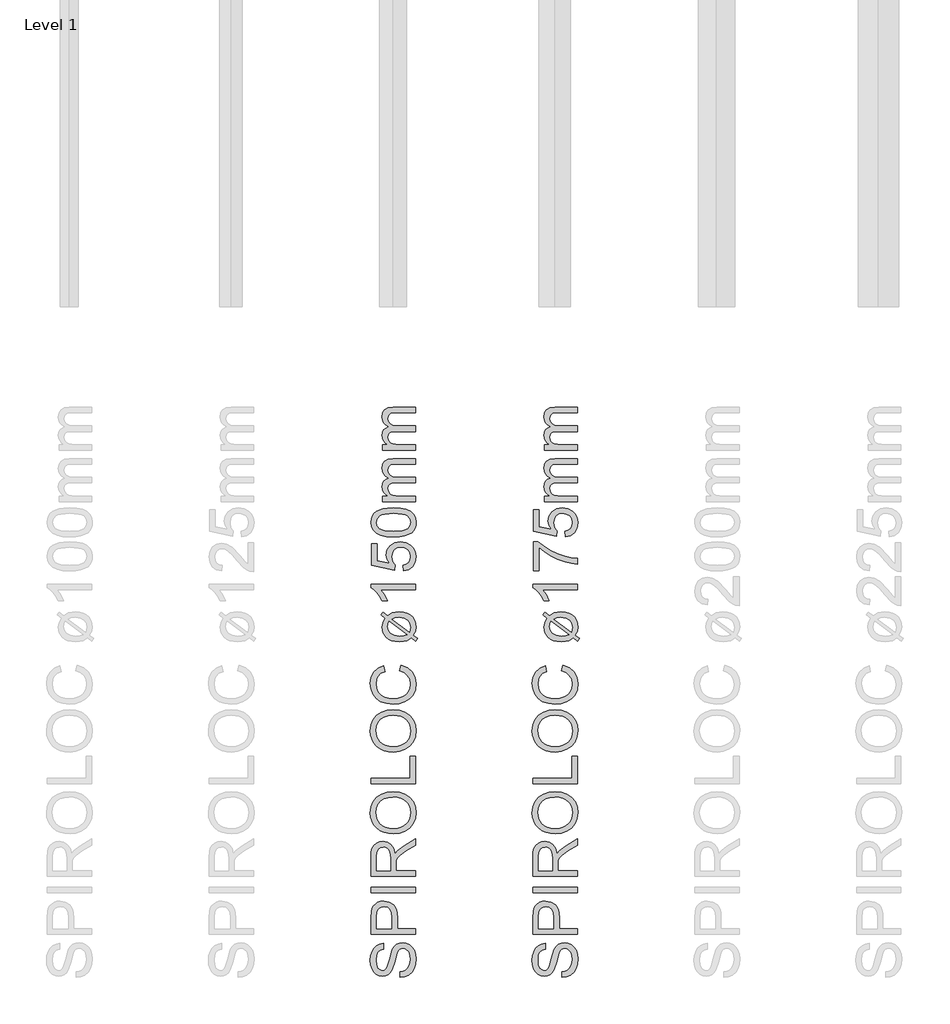
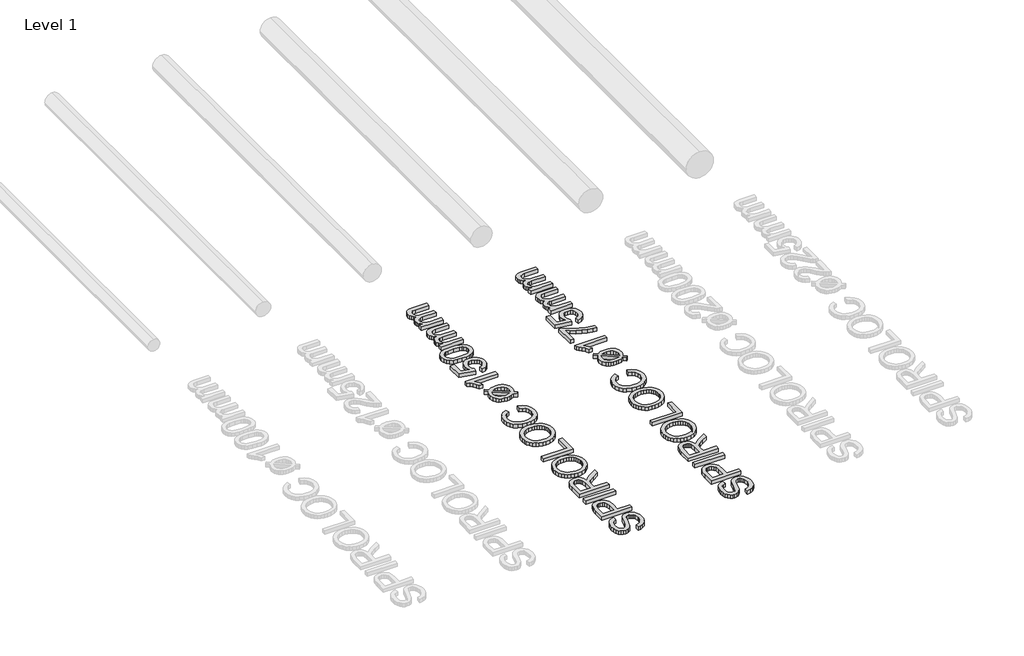
# One storey, part 5 of 19: 2 proxies.
"""IFC4 building model written with IfcOpenShell, lengths in millimetres."""

from ifc_helpers import new_model, si_unit, origin, origin_with_axes, place, context, project, spatial, polyline, outline, extrude, element, save

model = new_model("IFC4")

# Units and contexts
model_context = context("Model", 3, world=origin())
ifc_project = project(units=[si_unit("LENGTHUNIT", "METRE", prefix="MILLI")], contexts=[model_context])

# Site, building, storey
site = spatial("IfcSite", under=ifc_project)
building = spatial("IfcBuilding", under=site)
storey = spatial("IfcBuildingStorey", under=building, Name="Level 1", Elevation=0.0)

# Proxies
placement = place(None, origin())
element("IfcBuildingElementProxy", 1, Name="250mm", ObjectType="250mm", at=placement, inside=storey, context=model_context, shape_type="SweptSolid", body=[
    extrude(outline(polyline([(3320.0351076, -1501.7841772), (3320.0351076, -1471.0149464), (3337.1099273, -1467.4842974), (3350.8343864, -1461.099081), (3361.7268143, -1451.1381435), (3370.3055403, -1436.880331), (3375.8719465, -1419.4524464), (3377.7274153, -1399.9812926), (3372.1084249, -1367.8298502), (3365.4377518, -1355.6678911), (3356.6637133, -1347.0666291), (3346.5900956, -1341.950944), (3336.0206845, -1340.2457156), (3316.8199633, -1345.3538887), (3309.2253119, -1353.1363406), (3302.8476076, -1366.2673502), (3291.0988095, -1411.0690329), (3275.9245307, -1459.2961964), (3265.5729682, -1474.6132036), (3253.027896, -1485.4680714), (3238.559747, -1491.93592), (3222.4389537, -1494.0918695), (3204.4176196, -1491.4251026), (3187.6132326, -1483.4248022), (3173.3704441, -1470.3013046), (3163.0339057, -1452.2649464), (3156.7463456, -1430.615307), (3154.6504922, -1406.6519656), (3156.8440018, -1380.6904272), (3163.4245307, -1357.974081), (3174.2568624, -1339.3142252), (3189.2057807, -1325.5221579), (3207.3397951, -1316.7931916), (3227.7274153, -1313.3226387), (3227.7274153, -1344.0918695), (3209.3680403, -1349.7409079), (3196.1168383, -1361.5197541), (3188.0940018, -1379.9242012), (3185.419723, -1405.4500426), (3188.0639537, -1431.5768454), (3195.996646, -1449.5005233), (3207.6703239, -1459.8671099), (3221.5375114, -1463.3226387), (3233.3614297, -1460.8737204), (3242.871646, -1453.5269656), (3251.3752518, -1436.1591772), (3260.059146, -1403.286581), (3275.5038576, -1348.8394656), (3286.6667182, -1331.2989007), (3300.4437614, -1319.0618214), (3316.684747, -1311.872819), (3335.2394345, -1309.4764849), (3354.2072831, -1312.2333959), (3372.0483287, -1320.5041291), (3387.402896, -1333.9506435), (3398.9113095, -1352.2348983), (3406.1003119, -1374.2225786), (3408.496646, -1398.7793695), (3405.9125114, -1428.9251026), (3398.1601076, -1453.7373022), (3385.2093864, -1473.5014248), (3367.0302999, -1488.5029272), (3344.8848672, -1498.1333358), (3320.0351076, -1501.7841772)])), origin_with_axes(), (0.0, 0.0, 1.0), 30.0),
    extrude(outline(polyline([(3404.6504922, -1263.3226387), (3158.496646, -1263.3226387), (3158.496646, -1172.0966772), (3160.840396, -1135.317831), (3165.2199033, -1118.919093), (3172.3488095, -1105.4199945), (3182.5501316, -1094.5501026), (3196.1468864, -1086.0389849), (3212.1850475, -1080.5401868), (3229.7105883, -1078.7072541), (3258.7220066, -1083.6576748), (3282.8956845, -1098.5089368), (3292.4134129, -1110.4023412), (3299.2117903, -1126.2808719), (3303.2908167, -1146.1445287), (3304.6504922, -1169.9933118), (3304.6504922, -1232.5534079), (3404.6504922, -1232.5534079), (3404.6504922, -1263.3226387)]), holes=[polyline([(3273.8812614, -1232.5534079), (3273.8812614, -1168.1904272), (3271.0567422, -1140.9067733), (3262.5831845, -1122.8779272), (3248.9864297, -1112.8268454), (3230.7923191, -1109.4764849), (3216.9702037, -1111.4521459), (3205.3115499, -1117.3791291), (3196.5375114, -1126.5212565), (3191.3692422, -1138.1423502), (3189.2658768, -1168.911581), (3189.2658768, -1232.5534079), (3273.8812614, -1232.5534079)])]), origin_with_axes(), (0.0, 0.0, 1.0), 30.0),
    extrude(outline(polyline([(3404.6504922, -1032.5534079), (3158.496646, -1032.5534079), (3158.496646, -1001.7841772), (3404.6504922, -1001.7841772), (3404.6504922, -1032.5534079)])), origin_with_axes(), (0.0, 0.0, 1.0), 30.0),
    extrude(outline(polyline([(3404.6504922, -940.2457156), (3158.496646, -940.2457156), (3158.496646, -834.1760041), (3160.1568023, -805.6678911), (3165.137271, -784.927206), (3174.3319826, -769.7679512), (3188.6348672, -758.0041291), (3206.3707446, -750.4545498), (3225.8644345, -747.9380233), (3250.1132326, -752.107194), (3270.215396, -764.614706), (3284.9539778, -785.8361603), (3293.1120307, -816.1471579), (3306.2730883, -798.6591772), (3337.9437614, -773.7192733), (3404.6504922, -732.6736002), (3404.6504922, -768.4308118), (3353.6288576, -800.4620618), (3319.8548191, -823.599081), (3303.8992903, -839.8550906), (3298.0399153, -854.4885041), (3296.9581845, -872.3370618), (3296.9581845, -909.4764849), (3404.6504922, -909.4764849), (3404.6504922, -940.2457156)]), holes=[polyline([(3266.1889537, -909.4764849), (3266.1889537, -840.6062926), (3261.8319826, -805.4800906), (3256.1679201, -793.9266051), (3247.8896749, -785.5281676), (3237.8761533, -780.4124825), (3227.0062614, -778.7072541), (3211.997247, -781.9599584), (3199.902896, -791.7180714), (3191.9251316, -808.5074344), (3189.2658768, -832.8538887), (3189.2658768, -909.4764849), (3266.1889537, -909.4764849)])]), origin_with_axes(), (0.0, 0.0, 1.0), 30.0),
    extrude(outline(polyline([(3284.8187614, -705.630331), (3255.9463155, -703.5795498), (3230.3866701, -697.427206), (3208.1398251, -687.1732998), (3189.2057807, -672.817831), (3174.087842, -655.220926), (3163.2893143, -635.2427108), (3156.8101977, -612.8831856), (3154.6504922, -588.1423502), (3158.7069826, -555.8556916), (3170.8764537, -526.9043695), (3190.3025355, -502.8659079), (3216.1288576, -485.317831), (3247.1084249, -474.5906676), (3281.9942422, -471.0149464), (3317.3458047, -474.778468), (3348.7610691, -486.0690329), (3374.6324633, -504.2631435), (3393.3524153, -528.7373022), (3404.7105883, -557.4407276), (3408.496646, -588.3226387), (3404.3124513, -621.1050906), (3391.7598672, -650.2216772), (3371.9732085, -674.2000426), (3346.0867903, -691.567831), (3316.301634, -702.114706), (3284.8187614, -705.630331)]), holes=[polyline([(3285.1192422, -674.8611002), (3305.5181304, -673.3230143), (3323.6258528, -668.7087565), (3339.4424093, -661.0183268), (3352.9677999, -650.2517252), (3363.8001316, -637.1639097), (3371.5375114, -622.5098382), (3376.1799393, -606.2895107), (3377.7274153, -588.5029272), (3376.1649153, -570.4121069), (3371.4774153, -554.0002228), (3363.6649153, -539.2672751), (3352.7274153, -526.2132637), (3338.9165679, -515.5255383), (3322.4840258, -507.8914488), (3303.4297891, -503.3109951), (3281.7538576, -501.7841772), (3254.5152758, -504.3983599), (3230.9726076, -512.2409079), (3211.7193023, -525.1089969), (3197.3488095, -542.7998022), (3188.4019946, -564.1414488), (3185.419723, -587.9620618), (3191.1664177, -621.0600185), (3208.4065018, -649.2000426), (3221.8210902, -660.4267553), (3239.0780763, -668.4458358), (3260.1774603, -673.2572841), (3285.1192422, -674.8611002)])]), origin_with_axes(), (0.0, 0.0, 1.0), 30.0),
    extrude(outline(polyline([(3404.6504922, -428.7072541), (3158.496646, -428.7072541), (3158.496646, -397.9380233), (3373.8812614, -397.9380233), (3373.8812614, -274.8611002), (3404.6504922, -274.8611002), (3404.6504922, -428.7072541)])), origin_with_axes(), (0.0, 0.0, 1.0), 30.0),
    extrude(outline(polyline([(3284.8187614, -251.7841772), (3255.9463155, -249.7333959), (3230.3866701, -243.5810522), (3208.1398251, -233.3271459), (3189.2057807, -218.9716772), (3174.087842, -201.3747721), (3163.2893143, -181.396557), (3156.8101977, -159.0370317), (3154.6504922, -134.2961964), (3158.7069826, -102.0095377), (3170.8764537, -73.0582156), (3190.3025355, -49.0197541), (3216.1288576, -31.4716772), (3247.1084249, -20.7445137), (3281.9942422, -17.1687926), (3317.3458047, -20.9323142), (3348.7610691, -32.2228791), (3374.6324633, -50.4169897), (3393.3524153, -74.8911483), (3404.7105883, -103.5945738), (3408.496646, -134.4764849), (3404.3124513, -167.2589368), (3391.7598672, -196.3755233), (3371.9732085, -220.3538887), (3346.0867903, -237.7216772), (3316.301634, -248.2685522), (3284.8187614, -251.7841772)]), holes=[polyline([(3285.1192422, -221.0149464), (3305.5181304, -219.4768605), (3323.6258528, -214.8626026), (3339.4424093, -207.172173), (3352.9677999, -196.4055714), (3363.8001316, -183.3177559), (3371.5375114, -168.6636844), (3376.1799393, -152.4433569), (3377.7274153, -134.6567733), (3376.1649153, -116.565953), (3371.4774153, -100.154069), (3363.6649153, -85.4211213), (3352.7274153, -72.3671099), (3338.9165679, -61.6793845), (3322.4840258, -54.045295), (3303.4297891, -49.4648412), (3281.7538576, -47.9380233), (3254.5152758, -50.552206), (3230.9726076, -58.3947541), (3211.7193023, -71.262843), (3197.3488095, -88.9536483), (3188.4019946, -110.295295), (3185.419723, -134.1159079), (3191.1664177, -167.2138647), (3208.4065018, -195.3538887), (3221.8210902, -206.5806014), (3239.0780763, -214.599682), (3260.1774603, -219.4111303), (3285.1192422, -221.0149464)])]), origin_with_axes(), (0.0, 0.0, 1.0), 30.0),
    extrude(outline(polyline([(3317.1504922, 198.2158228), (3325.0831845, 228.9850536), (3360.9380523, 214.7873373), (3387.1324633, 192.5066882), (3403.1556004, 163.2398613), (3408.496646, 128.0836113), (3404.4551797, 92.3940079), (3392.3307807, 64.0511594), (3372.544122, 42.3263998), (3345.5158768, 26.4910632), (3313.7400355, 16.8230945), (3279.7105883, 13.6004382), (3243.8181605, 17.2437675), (3212.8235691, 28.1737555), (3187.7108888, 45.8194887), (3169.4641941, 69.6100536), (3158.3539177, 97.8251978), (3154.6504922, 128.744669), (3159.4431605, 162.4811474), (3173.8211653, 190.3732748), (3196.8980883, 211.549657), (3227.7875114, 225.1388998), (3235.1192422, 194.369669), (3212.6808408, 183.7026017), (3197.2887133, 169.1292844), (3188.3869706, 150.4694286), (3185.419723, 127.5427459), (3188.7099874, 101.1154623), (3198.5807807, 79.4057267), (3213.9954441, 62.9318685), (3233.9173191, 52.2122171), (3256.4383528, 46.330306), (3279.6504922, 44.369669), (3308.075973, 46.6908829), (3332.6552999, 53.6545248), (3352.4494706, 65.5235151), (3366.5194826, 82.5607748), (3374.9254321, 102.985955), (3377.7274153, 125.0187074), (3373.9113095, 150.7023012), (3362.4629922, 172.104044), (3343.5026557, 188.2623974), (3317.1504922, 198.2158228)])), origin_with_axes(), (0.0, 0.0, 1.0), 30.0),
    extrude(outline(polyline([(3237.5831845, 490.2831305), (3213.3043383, 508.6725536), (3224.482223, 523.3360151), (3249.902896, 504.0451498), (3276.1649153, 519.5499574), (3315.3476076, 525.1388998), (3338.8902758, 523.3923553), (3359.0976076, 518.1527219), (3375.9696028, 509.4199995), (3389.5062614, 497.1941882), (3403.7490499, 472.2092123), (3408.496646, 442.5667844), (3404.4551797, 417.822193), (3392.3307807, 396.1124574), (3416.1889537, 378.0235151), (3405.2514537, 363.119669), (3382.4750114, 380.4273613), (3359.277896, 366.4249574), (3339.4762133, 361.4219526), (3317.2105883, 359.7542844), (3293.3242452, 361.2717123), (3272.9873311, 365.8239959), (3256.1998462, 373.4111353), (3242.9617903, 384.0331305), (3225.7667783, 410.4303661), (3220.0351076, 441.0643805), (3224.2718864, 466.0042844), (3237.5831845, 490.2831305)]), holes=[polyline([(3259.4581845, 473.6965921), (3252.9677999, 458.3119767), (3250.8043383, 442.2062074), (3254.958485, 421.9988757), (3267.4209249, 405.3672651), (3288.1015138, 394.2344526), (3316.9101076, 390.5235151), (3339.325973, 392.6719526), (3357.7754922, 399.1172651), (3259.4581845, 473.6965921)]), polyline([(3274.8427999, 485.1749574), (3372.6192422, 411.0163036), (3377.7274153, 440.5836113), (3373.6634129, 461.9177459), (3361.4714057, 479.1653421), (3341.1664177, 490.5685873), (3312.763473, 494.369669), (3291.5495307, 492.025919), (3274.8427999, 485.1749574)])]), origin_with_axes(), (0.0, 0.0, 1.0), 30.0),
    extrude(outline(polyline([(3404.6504922, 678.9850536), (3404.6504922, 648.2158228), (3212.8235691, 648.2158228), (3233.5867903, 619.0691882), (3249.121646, 586.6773613), (3220.0351076, 586.6773613), (3206.8890739, 610.8435272), (3191.2490499, 631.7795248), (3174.6174393, 648.283431), (3158.496646, 659.1533228), (3158.496646, 678.9850536), (3404.6504922, 678.9850536)])), origin_with_axes(), (0.0, 0.0, 1.0), 30.0),
    extrude(outline(polyline([(3339.2658768, 752.0619767), (3335.419723, 782.8312074), (3353.8917783, 788.4802459), (3367.1204441, 798.3360151), (3375.0756725, 812.353443), (3377.7274153, 830.4874574), (3374.0390138, 852.5427459), (3362.9738095, 869.0691882), (3345.8088456, 879.3907026), (3323.8211653, 882.8312074), (3303.1180403, 879.6085512), (3287.2827037, 869.9405824), (3277.231622, 853.752181), (3273.8812614, 830.9682267), (3279.2298191, 803.9550055), (3293.1120307, 786.6773613), (3289.2658768, 755.9081305), (3162.3427999, 782.8312074), (3162.3427999, 902.0619767), (3193.1120307, 902.0619767), (3193.1120307, 807.7110151), (3260.9004922, 794.5499574), (3247.559146, 816.5301257), (3243.1120307, 839.5619767), (3248.6258528, 868.3104743), (3265.1673191, 892.1761594), (3290.3776557, 908.2443685), (3321.8980883, 913.6004382), (3352.6673191, 908.7777219), (3378.9894345, 894.3095728), (3391.8988395, 881.5241161), (3401.1198432, 866.6052459), (3406.6524453, 849.5529623), (3408.496646, 830.3672651), (3403.7565619, 800.1464118), (3389.5363095, 776.0703901), (3367.4885331, 759.5664839), (3339.2658768, 752.0619767)])), origin_with_axes(), (0.0, 0.0, 1.0), 30.0),
    extrude(outline(polyline([(3283.5567422, 940.5235151), (3244.1562013, 942.7846329), (3212.7334249, 949.5679863), (3188.8076436, 960.8059671), (3171.8980883, 976.4309671), (3161.8470066, 996.5556666), (3158.496646, 1021.2927459), (3160.4798191, 1040.2530824), (3166.4293383, 1057.2302459), (3176.1123311, 1071.4279623), (3189.2959249, 1082.0499574), (3225.7141941, 1096.4730344), (3250.9170186, 1100.6647411), (3283.5567422, 1102.0619767), (3322.7319225, 1099.8233949), (3354.0795787, 1093.1076498), (3378.027896, 1081.9372772), (3395.0050595, 1066.3348132), (3405.1237494, 1046.1650416), (3408.496646, 1021.2927459), (3407.0318023, 1004.3456305), (3402.637271, 989.3215921), (3395.3130523, 976.2206305), (3385.059146, 965.0427459), (3366.5232386, 954.3155824), (3343.4275355, 946.6533228), (3315.7720367, 942.0559671), (3283.5567422, 940.5235151)]), holes=[polyline([(3283.496646, 971.2927459), (3331.8965859, 974.8985151), (3348.4511983, 979.4057267), (3359.9089057, 985.7158228), (3373.2727879, 1001.8215921), (3377.7274153, 1021.2927459), (3373.2577638, 1040.7638998), (3359.8488095, 1056.869669), (3348.3723221, 1063.1797651), (3331.8214658, 1067.6869767), (3283.496646, 1071.2927459), (3236.1859489, 1067.807169), (3219.6857987, 1063.4501978), (3207.9557807, 1057.3504382), (3193.9383528, 1041.2747171), (3189.2658768, 1020.932169), (3193.3824633, 1001.6713517), (3205.732223, 986.1965921), (3218.5026557, 979.6761594), (3235.7202037, 975.0187074), (3283.496646, 971.2927459)])]), origin_with_axes(), (0.0, 0.0, 1.0), 30.0),
    extrude(outline(polyline([(3404.6504922, 1136.6773613), (3223.8812614, 1136.6773613), (3223.8812614, 1167.4465921), (3253.6288576, 1167.4465921), (3239.9644946, 1176.7013998), (3229.2598672, 1188.6004382), (3222.3412975, 1202.7380584), (3220.0351076, 1218.7086113), (3222.3863696, 1235.8209911), (3229.4401557, 1249.5379382), (3240.7307206, 1259.7843324), (3255.7923191, 1266.4850536), (3240.1485391, 1277.7004983), (3228.9744105, 1290.4934671), (3222.2699333, 1304.8639599), (3220.0351076, 1320.8119767), (3223.7535571, 1343.9414839), (3234.9089057, 1361.0463517), (3253.801634, 1371.6157627), (3280.732223, 1375.1388998), (3404.6504922, 1375.1388998), (3404.6504922, 1344.369669), (3293.9533768, 1344.369669), (3268.262271, 1341.5151017), (3255.6120307, 1331.1785632), (3250.8043383, 1313.6004382), (3253.8842662, 1296.9312675), (3263.1240499, 1283.3420248), (3279.1546989, 1274.3050656), (3302.607223, 1271.2927459), (3404.6504922, 1271.2927459), (3404.6504922, 1240.5235151), (3290.527896, 1240.5235151), (3273.1300595, 1238.7431666), (3260.7202037, 1233.4021209), (3253.2833047, 1224.0045849), (3250.8043383, 1210.0547651), (3252.4569826, 1198.2007988), (3257.4149153, 1187.2783228), (3265.5579441, 1178.2638998), (3276.7658768, 1172.1340921), (3313.4846268, 1167.4465921), (3404.6504922, 1167.4465921), (3404.6504922, 1136.6773613)])), origin_with_axes(), (0.0, 0.0, 1.0), 30.0),
    extrude(outline(polyline([(3404.6504922, 1421.2927459), (3223.8812614, 1421.2927459), (3223.8812614, 1452.0619767), (3253.6288576, 1452.0619767), (3239.9644946, 1461.3167844), (3229.2598672, 1473.2158228), (3222.3412975, 1487.353443), (3220.0351076, 1503.3239959), (3222.3863696, 1520.4363757), (3229.4401557, 1534.1533228), (3240.7307206, 1544.3997171), (3255.7923191, 1551.1004382), (3240.1485391, 1562.3158829), (3228.9744105, 1575.1088517), (3222.2699333, 1589.4793445), (3220.0351076, 1605.4273613), (3223.7535571, 1628.5568685), (3234.9089057, 1645.6617363), (3253.801634, 1656.2311474), (3280.732223, 1659.7542844), (3404.6504922, 1659.7542844), (3404.6504922, 1628.9850536), (3293.9533768, 1628.9850536), (3268.262271, 1626.1304863), (3255.6120307, 1615.7939478), (3250.8043383, 1598.2158228), (3253.8842662, 1581.5466522), (3263.1240499, 1567.9574094), (3279.1546989, 1558.9204502), (3302.607223, 1555.9081305), (3404.6504922, 1555.9081305), (3404.6504922, 1525.1388998), (3290.527896, 1525.1388998), (3273.1300595, 1523.3585512), (3260.7202037, 1518.0175055), (3253.2833047, 1508.6199695), (3250.8043383, 1494.6701498), (3252.4569826, 1482.8161834), (3257.4149153, 1471.8937074), (3265.5579441, 1462.8792844), (3276.7658768, 1456.7494767), (3313.4846268, 1452.0619767), (3404.6504922, 1452.0619767), (3404.6504922, 1421.2927459)])), origin_with_axes(), (0.0, 0.0, 1.0), 30.0),
])
element("IfcBuildingElementProxy", 2, Name="250mm", ObjectType="250mm", at=placement, inside=storey, context=model_context, shape_type="SweptSolid", body=[
    extrude(outline(polyline([(4218.1120307, -1501.7841772), (4218.1120307, -1471.0149464), (4235.1868504, -1467.4842974), (4248.9113095, -1461.099081), (4259.8037374, -1451.1381435), (4268.3824633, -1436.880331), (4273.9488696, -1419.4524464), (4275.8043383, -1399.9812926), (4270.185348, -1367.8298502), (4263.5146749, -1355.6678911), (4254.7406364, -1347.0666291), (4244.6670186, -1341.950944), (4234.0976076, -1340.2457156), (4214.8968864, -1345.3538887), (4207.302235, -1353.1363406), (4200.9245307, -1366.2673502), (4189.1757326, -1411.0690329), (4174.0014537, -1459.2961964), (4163.6498912, -1474.6132036), (4151.1048191, -1485.4680714), (4136.6366701, -1491.93592), (4120.5158768, -1494.0918695), (4102.4945427, -1491.4251026), (4085.6901557, -1483.4248022), (4071.4473672, -1470.3013046), (4061.1108287, -1452.2649464), (4054.8232686, -1430.615307), (4052.7274153, -1406.6519656), (4054.9209249, -1380.6904272), (4061.5014537, -1357.974081), (4072.3337855, -1339.3142252), (4087.2827037, -1325.5221579), (4105.4167182, -1316.7931916), (4125.8043383, -1313.3226387), (4125.8043383, -1344.0918695), (4107.4449633, -1349.7409079), (4094.1937614, -1361.5197541), (4086.1709249, -1379.9242012), (4083.496646, -1405.4500426), (4086.1408768, -1431.5768454), (4094.0735691, -1449.5005233), (4105.747247, -1459.8671099), (4119.6144345, -1463.3226387), (4131.4383528, -1460.8737204), (4140.9485691, -1453.5269656), (4149.4521749, -1436.1591772), (4158.1360691, -1403.286581), (4173.5807807, -1348.8394656), (4184.7436412, -1331.2989007), (4198.5206845, -1319.0618214), (4214.7616701, -1311.872819), (4233.3163576, -1309.4764849), (4252.2842061, -1312.2333959), (4270.1252518, -1320.5041291), (4285.4798191, -1333.9506435), (4296.9882326, -1352.2348983), (4304.177235, -1374.2225786), (4306.5735691, -1398.7793695), (4303.9894345, -1428.9251026), (4296.2370307, -1453.7373022), (4283.2863095, -1473.5014248), (4265.107223, -1488.5029272), (4242.9617903, -1498.1333358), (4218.1120307, -1501.7841772)])), origin_with_axes(), (0.0, 0.0, 1.0), 30.0),
    extrude(outline(polyline([(4302.7274153, -1263.3226387), (4056.5735691, -1263.3226387), (4056.5735691, -1172.0966772), (4058.9173191, -1135.317831), (4063.2968263, -1118.919093), (4070.4257326, -1105.4199945), (4080.6270547, -1094.5501026), (4094.2238095, -1086.0389849), (4110.2619706, -1080.5401868), (4127.7875114, -1078.7072541), (4156.7989297, -1083.6576748), (4180.9726076, -1098.5089368), (4190.4903359, -1110.4023412), (4197.2887133, -1126.2808719), (4201.3677398, -1146.1445287), (4202.7274153, -1169.9933118), (4202.7274153, -1232.5534079), (4302.7274153, -1232.5534079), (4302.7274153, -1263.3226387)]), holes=[polyline([(4171.9581845, -1232.5534079), (4171.9581845, -1168.1904272), (4169.1336653, -1140.9067733), (4160.6601076, -1122.8779272), (4147.0633528, -1112.8268454), (4128.8692422, -1109.4764849), (4115.0471268, -1111.4521459), (4103.388473, -1117.3791291), (4094.6144345, -1126.5212565), (4089.4461653, -1138.1423502), (4087.3427999, -1168.911581), (4087.3427999, -1232.5534079), (4171.9581845, -1232.5534079)])]), origin_with_axes(), (0.0, 0.0, 1.0), 30.0),
    extrude(outline(polyline([(4302.7274153, -1032.5534079), (4056.5735691, -1032.5534079), (4056.5735691, -1001.7841772), (4302.7274153, -1001.7841772), (4302.7274153, -1032.5534079)])), origin_with_axes(), (0.0, 0.0, 1.0), 30.0),
    extrude(outline(polyline([(4302.7274153, -940.2457156), (4056.5735691, -940.2457156), (4056.5735691, -834.1760041), (4058.2337254, -805.6678911), (4063.2141941, -784.927206), (4072.4089057, -769.7679512), (4086.7117903, -758.0041291), (4104.4476677, -750.4545498), (4123.9413576, -747.9380233), (4148.1901557, -752.107194), (4168.2923191, -764.614706), (4183.0309008, -785.8361603), (4191.1889537, -816.1471579), (4204.3500114, -798.6591772), (4236.0206845, -773.7192733), (4302.7274153, -732.6736002), (4302.7274153, -768.4308118), (4251.7057807, -800.4620618), (4217.9317422, -823.599081), (4201.9762133, -839.8550906), (4196.1168383, -854.4885041), (4195.0351076, -872.3370618), (4195.0351076, -909.4764849), (4302.7274153, -909.4764849), (4302.7274153, -940.2457156)]), holes=[polyline([(4164.2658768, -909.4764849), (4164.2658768, -840.6062926), (4159.9089057, -805.4800906), (4154.2448432, -793.9266051), (4145.966598, -785.5281676), (4135.9530763, -780.4124825), (4125.0831845, -778.7072541), (4110.0741701, -781.9599584), (4097.9798191, -791.7180714), (4090.0020547, -808.5074344), (4087.3427999, -832.8538887), (4087.3427999, -909.4764849), (4164.2658768, -909.4764849)])]), origin_with_axes(), (0.0, 0.0, 1.0), 30.0),
    extrude(outline(polyline([(4182.8956845, -705.630331), (4154.0232386, -703.5795498), (4128.4635932, -697.427206), (4106.2167482, -687.1732998), (4087.2827037, -672.817831), (4072.164765, -655.220926), (4061.3662374, -635.2427108), (4054.8871208, -612.8831856), (4052.7274153, -588.1423502), (4056.7839057, -555.8556916), (4068.9533768, -526.9043695), (4088.3794585, -502.8659079), (4114.2057807, -485.317831), (4145.185348, -474.5906676), (4180.0711653, -471.0149464), (4215.4227278, -474.778468), (4246.8379922, -486.0690329), (4272.7093864, -504.2631435), (4291.4293383, -528.7373022), (4302.7875114, -557.4407276), (4306.5735691, -588.3226387), (4302.3893744, -621.1050906), (4289.8367903, -650.2216772), (4270.0501316, -674.2000426), (4244.1637133, -691.567831), (4214.3785571, -702.114706), (4182.8956845, -705.630331)]), holes=[polyline([(4183.1961653, -674.8611002), (4203.5950535, -673.3230143), (4221.7027758, -668.7087565), (4237.5193323, -661.0183268), (4251.044723, -650.2517252), (4261.8770547, -637.1639097), (4269.6144345, -622.5098382), (4274.2568624, -606.2895107), (4275.8043383, -588.5029272), (4274.2418383, -570.4121069), (4269.5543383, -554.0002228), (4261.7418383, -539.2672751), (4250.8043383, -526.2132637), (4236.993491, -515.5255383), (4220.5609489, -507.8914488), (4201.5067121, -503.3109951), (4179.8307807, -501.7841772), (4152.5921989, -504.3983599), (4129.0495307, -512.2409079), (4109.7962254, -525.1089969), (4095.4257326, -542.7998022), (4086.4789177, -564.1414488), (4083.496646, -587.9620618), (4089.2433408, -621.0600185), (4106.4834249, -649.2000426), (4119.8980132, -660.4267553), (4137.1549994, -668.4458358), (4158.2543834, -673.2572841), (4183.1961653, -674.8611002)])]), origin_with_axes(), (0.0, 0.0, 1.0), 30.0),
    extrude(outline(polyline([(4302.7274153, -428.7072541), (4056.5735691, -428.7072541), (4056.5735691, -397.9380233), (4271.9581845, -397.9380233), (4271.9581845, -274.8611002), (4302.7274153, -274.8611002), (4302.7274153, -428.7072541)])), origin_with_axes(), (0.0, 0.0, 1.0), 30.0),
    extrude(outline(polyline([(4182.8956845, -251.7841772), (4154.0232386, -249.7333959), (4128.4635932, -243.5810522), (4106.2167482, -233.3271459), (4087.2827037, -218.9716772), (4072.164765, -201.3747721), (4061.3662374, -181.396557), (4054.8871208, -159.0370317), (4052.7274153, -134.2961964), (4056.7839057, -102.0095377), (4068.9533768, -73.0582156), (4088.3794585, -49.0197541), (4114.2057807, -31.4716772), (4145.185348, -20.7445137), (4180.0711653, -17.1687926), (4215.4227278, -20.9323142), (4246.8379922, -32.2228791), (4272.7093864, -50.4169897), (4291.4293383, -74.8911483), (4302.7875114, -103.5945738), (4306.5735691, -134.4764849), (4302.3893744, -167.2589368), (4289.8367903, -196.3755233), (4270.0501316, -220.3538887), (4244.1637133, -237.7216772), (4214.3785571, -248.2685522), (4182.8956845, -251.7841772)]), holes=[polyline([(4183.1961653, -221.0149464), (4203.5950535, -219.4768605), (4221.7027758, -214.8626026), (4237.5193323, -207.172173), (4251.044723, -196.4055714), (4261.8770547, -183.3177559), (4269.6144345, -168.6636844), (4274.2568624, -152.4433569), (4275.8043383, -134.6567733), (4274.2418383, -116.565953), (4269.5543383, -100.154069), (4261.7418383, -85.4211213), (4250.8043383, -72.3671099), (4236.993491, -61.6793845), (4220.5609489, -54.045295), (4201.5067121, -49.4648412), (4179.8307807, -47.9380233), (4152.5921989, -50.552206), (4129.0495307, -58.3947541), (4109.7962254, -71.262843), (4095.4257326, -88.9536483), (4086.4789177, -110.295295), (4083.496646, -134.1159079), (4089.2433408, -167.2138647), (4106.4834249, -195.3538887), (4119.8980132, -206.5806014), (4137.1549994, -214.599682), (4158.2543834, -219.4111303), (4183.1961653, -221.0149464)])]), origin_with_axes(), (0.0, 0.0, 1.0), 30.0),
    extrude(outline(polyline([(4215.2274153, 198.2158228), (4223.1601076, 228.9850536), (4259.0149754, 214.7873373), (4285.2093864, 192.5066882), (4301.2325234, 163.2398613), (4306.5735691, 128.0836113), (4302.5321028, 92.3940079), (4290.4077037, 64.0511594), (4270.6210451, 42.3263998), (4243.5927999, 26.4910632), (4211.8169585, 16.8230945), (4177.7875114, 13.6004382), (4141.8950835, 17.2437675), (4110.9004922, 28.1737555), (4085.7878119, 45.8194887), (4067.5411172, 69.6100536), (4056.4308408, 97.8251978), (4052.7274153, 128.744669), (4057.5200835, 162.4811474), (4071.8980883, 190.3732748), (4094.9750114, 211.549657), (4125.8644345, 225.1388998), (4133.1961653, 194.369669), (4110.7577638, 183.7026017), (4095.3656364, 169.1292844), (4086.4638936, 150.4694286), (4083.496646, 127.5427459), (4086.7869105, 101.1154623), (4096.6577037, 79.4057267), (4112.0723672, 62.9318685), (4131.9942422, 52.2122171), (4154.5152758, 46.330306), (4177.7274153, 44.369669), (4206.152896, 46.6908829), (4230.732223, 53.6545248), (4250.5263936, 65.5235151), (4264.5964057, 82.5607748), (4273.0023552, 102.985955), (4275.8043383, 125.0187074), (4271.9882326, 150.7023012), (4260.5399153, 172.104044), (4241.5795787, 188.2623974), (4215.2274153, 198.2158228)])), origin_with_axes(), (0.0, 0.0, 1.0), 30.0),
    extrude(outline(polyline([(4135.6601076, 490.2831305), (4111.3812614, 508.6725536), (4122.559146, 523.3360151), (4147.9798191, 504.0451498), (4174.2418383, 519.5499574), (4213.4245307, 525.1388998), (4236.9671989, 523.3923553), (4257.1745307, 518.1527219), (4274.0465258, 509.4199995), (4287.5831845, 497.1941882), (4301.825973, 472.2092123), (4306.5735691, 442.5667844), (4302.5321028, 417.822193), (4290.4077037, 396.1124574), (4314.2658768, 378.0235151), (4303.3283768, 363.119669), (4280.5519345, 380.4273613), (4257.3548191, 366.4249574), (4237.5531364, 361.4219526), (4215.2875114, 359.7542844), (4191.4011683, 361.2717123), (4171.0642542, 365.8239959), (4154.2767692, 373.4111353), (4141.0387133, 384.0331305), (4123.8437013, 410.4303661), (4118.1120307, 441.0643805), (4122.3488095, 466.0042844), (4135.6601076, 490.2831305)]), holes=[polyline([(4157.5351076, 473.6965921), (4151.044723, 458.3119767), (4148.8812614, 442.2062074), (4153.0354081, 421.9988757), (4165.497848, 405.3672651), (4186.1784369, 394.2344526), (4214.9870307, 390.5235151), (4237.402896, 392.6719526), (4255.8524153, 399.1172651), (4157.5351076, 473.6965921)]), polyline([(4172.919723, 485.1749574), (4270.6961653, 411.0163036), (4275.8043383, 440.5836113), (4271.7403359, 461.9177459), (4259.5483287, 479.1653421), (4239.2433408, 490.5685873), (4210.840396, 494.369669), (4189.6264537, 492.025919), (4172.919723, 485.1749574)])]), origin_with_axes(), (0.0, 0.0, 1.0), 30.0),
    extrude(outline(polyline([(4302.7274153, 678.9850536), (4302.7274153, 648.2158228), (4110.9004922, 648.2158228), (4131.6637133, 619.0691882), (4147.1985691, 586.6773613), (4118.1120307, 586.6773613), (4104.965997, 610.8435272), (4089.325973, 631.7795248), (4072.6943624, 648.283431), (4056.5735691, 659.1533228), (4056.5735691, 678.9850536), (4302.7274153, 678.9850536)])), origin_with_axes(), (0.0, 0.0, 1.0), 30.0),
    extrude(outline(polyline([(4091.1889537, 752.0619767), (4060.419723, 752.0619767), (4060.419723, 913.6004382), (4085.2995307, 913.6004382), (4114.4386533, 890.5760993), (4151.4954441, 867.7771209), (4193.0894946, 847.6674454), (4235.840396, 832.7110151), (4267.8265739, 825.3792844), (4302.7274153, 821.2927459), (4302.7274153, 790.5235151), (4271.0116701, 793.8513397), (4233.3163576, 802.7530824), (4193.3599273, 816.9883589), (4154.8608287, 836.3167844), (4120.0576436, 858.8828901), (4091.1889537, 882.8312074), (4091.1889537, 752.0619767)])), origin_with_axes(), (0.0, 0.0, 1.0), 30.0),
    extrude(outline(polyline([(4237.3427999, 940.5235151), (4233.496646, 971.2927459), (4251.9687013, 976.9417844), (4265.1973672, 986.7975536), (4273.1525956, 1000.8149815), (4275.8043383, 1018.9489959), (4272.1159369, 1041.0042844), (4261.0507326, 1057.5307267), (4243.8857686, 1067.8522411), (4221.8980883, 1071.2927459), (4201.1949633, 1068.0700897), (4185.3596268, 1058.4021209), (4175.3085451, 1042.2137195), (4171.9581845, 1019.4297651), (4177.3067422, 992.416544), (4191.1889537, 975.1388998), (4187.3427999, 944.369669), (4060.419723, 971.2927459), (4060.419723, 1090.5235151), (4091.1889537, 1090.5235151), (4091.1889537, 996.1725536), (4158.9774153, 983.0114959), (4145.6360691, 1004.9916642), (4141.1889537, 1028.0235151), (4146.7027758, 1056.7720127), (4163.2442422, 1080.6376978), (4188.4545787, 1096.705907), (4219.9750114, 1102.0619767), (4250.7442422, 1097.2392603), (4277.0663576, 1082.7711113), (4289.9757626, 1069.9856546), (4299.1967662, 1055.0667844), (4304.7293684, 1038.0145007), (4306.5735691, 1018.8288036), (4301.833485, 988.6079502), (4287.6132326, 964.5319286), (4265.5654561, 948.0280224), (4237.3427999, 940.5235151)])), origin_with_axes(), (0.0, 0.0, 1.0), 30.0),
    extrude(outline(polyline([(4302.7274153, 1136.6773613), (4121.9581845, 1136.6773613), (4121.9581845, 1167.4465921), (4151.7057807, 1167.4465921), (4138.0414177, 1176.7013998), (4127.3367903, 1188.6004382), (4120.4182206, 1202.7380584), (4118.1120307, 1218.7086113), (4120.4632927, 1235.8209911), (4127.5170787, 1249.5379382), (4138.8076436, 1259.7843324), (4153.8692422, 1266.4850536), (4138.2254621, 1277.7004983), (4127.0513335, 1290.4934671), (4120.3468564, 1304.8639599), (4118.1120307, 1320.8119767), (4121.8304802, 1343.9414839), (4132.9858287, 1361.0463517), (4151.8785571, 1371.6157627), (4178.809146, 1375.1388998), (4302.7274153, 1375.1388998), (4302.7274153, 1344.369669), (4192.0302999, 1344.369669), (4166.3391941, 1341.5151017), (4153.6889537, 1331.1785632), (4148.8812614, 1313.6004382), (4151.9611893, 1296.9312675), (4161.200973, 1283.3420248), (4177.231622, 1274.3050656), (4200.684146, 1271.2927459), (4302.7274153, 1271.2927459), (4302.7274153, 1240.5235151), (4188.6048191, 1240.5235151), (4171.2069826, 1238.7431666), (4158.7971268, 1233.4021209), (4151.3602278, 1224.0045849), (4148.8812614, 1210.0547651), (4150.5339057, 1198.2007988), (4155.4918383, 1187.2783228), (4163.6348672, 1178.2638998), (4174.8427999, 1172.1340921), (4211.5615499, 1167.4465921), (4302.7274153, 1167.4465921), (4302.7274153, 1136.6773613)])), origin_with_axes(), (0.0, 0.0, 1.0), 30.0),
    extrude(outline(polyline([(4302.7274153, 1421.2927459), (4121.9581845, 1421.2927459), (4121.9581845, 1452.0619767), (4151.7057807, 1452.0619767), (4138.0414177, 1461.3167844), (4127.3367903, 1473.2158228), (4120.4182206, 1487.353443), (4118.1120307, 1503.3239959), (4120.4632927, 1520.4363757), (4127.5170787, 1534.1533228), (4138.8076436, 1544.3997171), (4153.8692422, 1551.1004382), (4138.2254621, 1562.3158829), (4127.0513335, 1575.1088517), (4120.3468564, 1589.4793445), (4118.1120307, 1605.4273613), (4121.8304802, 1628.5568685), (4132.9858287, 1645.6617363), (4151.8785571, 1656.2311474), (4178.809146, 1659.7542844), (4302.7274153, 1659.7542844), (4302.7274153, 1628.9850536), (4192.0302999, 1628.9850536), (4166.3391941, 1626.1304863), (4153.6889537, 1615.7939478), (4148.8812614, 1598.2158228), (4151.9611893, 1581.5466522), (4161.200973, 1567.9574094), (4177.231622, 1558.9204502), (4200.684146, 1555.9081305), (4302.7274153, 1555.9081305), (4302.7274153, 1525.1388998), (4188.6048191, 1525.1388998), (4171.2069826, 1523.3585512), (4158.7971268, 1518.0175055), (4151.3602278, 1508.6199695), (4148.8812614, 1494.6701498), (4150.5339057, 1482.8161834), (4155.4918383, 1471.8937074), (4163.6348672, 1462.8792844), (4174.8427999, 1456.7494767), (4211.5615499, 1452.0619767), (4302.7274153, 1452.0619767), (4302.7274153, 1421.2927459)])), origin_with_axes(), (0.0, 0.0, 1.0), 30.0),
])

save(model, "model.ifc")
